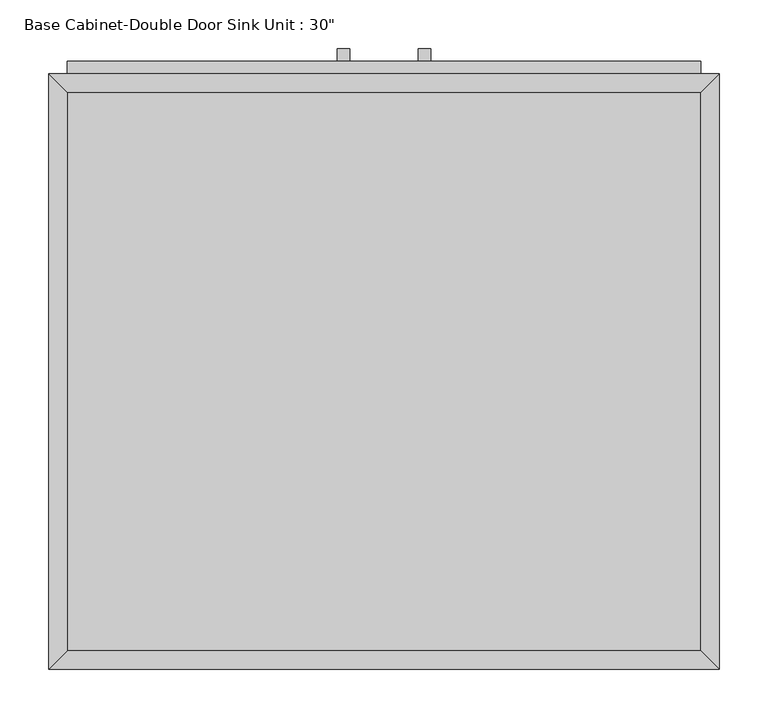
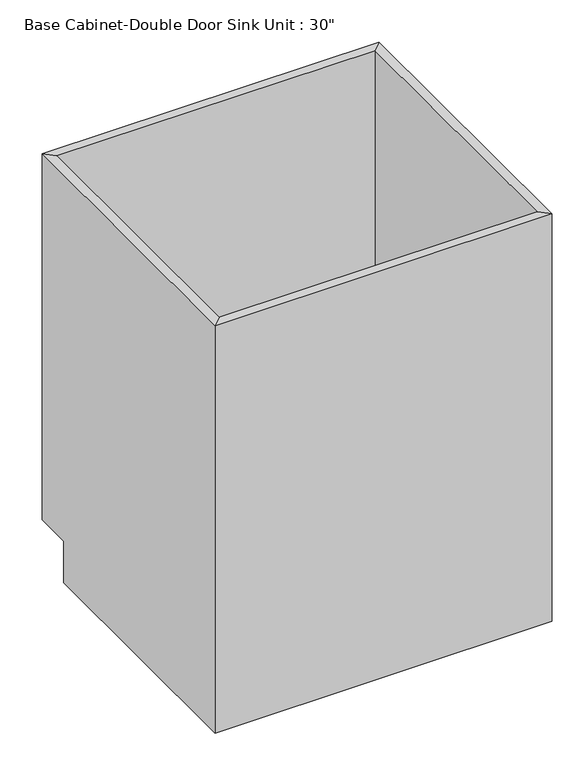
"""IFC4 building model written with IfcOpenShell, lengths in millimetres: furniture geometry."""

from ifc_helpers import new_model, si_unit, frame, origin, place, context, project, spatial, polyline, outline, extrude, faceted_brep, source, transform, mapped, element, save


def furniture_4b3ae588(model_context):
    return source(origin(), model_context, "Body", "SolidModel", [
        faceted_brep([(342.5877049, 590.55, 876.3), (-305.1122951, 590.55, 876.3), (-305.1122951, 590.55, 88.9), (342.5877049, 590.55, 88.9), (361.6377049, 609.6, 876.3), (-324.1622951, 609.6, 876.3), (361.6377049, 609.6, 88.9), (-324.1622951, 609.6, 88.9), (-305.1122951, 19.05, 876.3), (-305.1122951, 19.05, 88.9), (-305.1122951, 533.4, 88.9), (-324.1622951, 0.0, 876.3), (-324.1622951, 533.4, 88.9), (-324.1622951, 533.4, 0.0), (-324.1622951, 0.0, 0.0), (342.5877049, 19.05, 876.3), (342.5877049, 19.05, 88.9), (361.6377049, 0.0, 876.3), (361.6377049, 0.0, 0.0), (342.5877049, 533.4, 88.9), (361.6377049, 533.4, 0.0), (361.6377049, 533.4, 88.9)], [[[0, 1, 2, 3]], [[0, 4, 5, 1]], [[4, 6, 7, 5]], [[2, 7, 6, 3]], [[1, 8, 9, 10, 2]], [[5, 11, 8, 1]], [[7, 12, 13, 14, 11, 5]], [[2, 10, 12, 7]], [[8, 15, 16, 9]], [[11, 17, 15, 8]], [[14, 18, 17, 11]], [[3, 19, 16, 15, 0]], [[0, 15, 17, 4]], [[4, 17, 18, 20, 21, 6]], [[6, 21, 19, 3]], [[10, 9, 16, 19]], [[18, 14, 13, 20]], [[13, 12, 10, 19, 21, 20]]]),
        extrude(outline(polyline([(-16.1872951, 635.0), (-16.1872951, 622.3), (-28.8872951, 622.3), (-28.8872951, 635.0), (-16.1872951, 635.0)])), frame((0.0, 0.0, 573.769895), z_axis=(0.0, 0.0, 1.0), x_axis=(1.0, 0.0, 0.0)), (0.0, 0.0, 1.0), 124.730105),
        extrude(outline(polyline([(66.3627049, 635.0), (66.3627049, 622.3), (53.6627049, 622.3), (53.6627049, 635.0), (66.3627049, 635.0)])), frame((0.0, 0.0, 573.769895), z_axis=(0.0, 0.0, 1.0), x_axis=(1.0, 0.0, 0.0)), (0.0, 0.0, 1.0), 124.730105),
        extrude(outline(polyline([(342.5877049, 19.05), (-305.1122951, 19.05), (-305.1122951, 590.55), (342.5877049, 590.55), (342.5877049, 19.05)])), frame((0.0, 0.0, 88.9), z_axis=(0.0, 0.0, 1.0), x_axis=(1.0, 0.0, 0.0)), (0.0, 0.0, 1.0), 19.05),
        extrude(outline(polyline([(9.2127049, 622.3), (9.2127049, 609.6), (-305.1122951, 609.6), (-305.1122951, 622.3), (9.2127049, 622.3)])), frame((0.0, 0.0, 107.95), z_axis=(0.0, 0.0, 1.0), x_axis=(1.0, 0.0, 0.0)), (0.0, 0.0, 1.0), 628.65),
        extrude(outline(polyline([(342.5877049, 622.3), (342.5877049, 609.6), (28.2627049, 609.6), (28.2627049, 622.3), (342.5877049, 622.3)])), frame((0.0, 0.0, 107.95), z_axis=(0.0, 0.0, 1.0), x_axis=(1.0, 0.0, 0.0)), (0.0, 0.0, 1.0), 628.65),
        extrude(outline(polyline([(342.5877049, 622.3), (342.5877049, 609.6), (-305.1122951, 609.6), (-305.1122951, 622.3), (342.5877049, 622.3)])), frame((0.0, 0.0, 755.65), z_axis=(0.0, 0.0, 1.0), x_axis=(1.0, 0.0, 0.0)), (0.0, 0.0, 1.0), 101.6),
    ])


if __name__ == "__main__":
    model = new_model("IFC4")
    model_context = context("Model", 3, world=origin())
    ifc_project = project(units=[si_unit("LENGTHUNIT", "METRE", prefix="MILLI")], contexts=[model_context])
    site = spatial("IfcSite", under=ifc_project)
    building = spatial("IfcBuilding", under=site)
    placement = place(None, origin())
    furniture_shape = furniture_4b3ae588(model_context)
    element("IfcFurniture", 1, ObjectType="Base Cabinet-Double Door Sink Unit : 30\"", at=placement, inside=building, context=model_context, shape_type="MappedRepresentation", body=[
        mapped(furniture_shape, transform((0.0, 0.0, 0.0), x_axis=(1.0, 0.0, 0.0), y_axis=(0.0, 1.0, 0.0), z_axis=(0.0, 0.0, 1.0))),
    ])
    save(model, "model.ifc")
